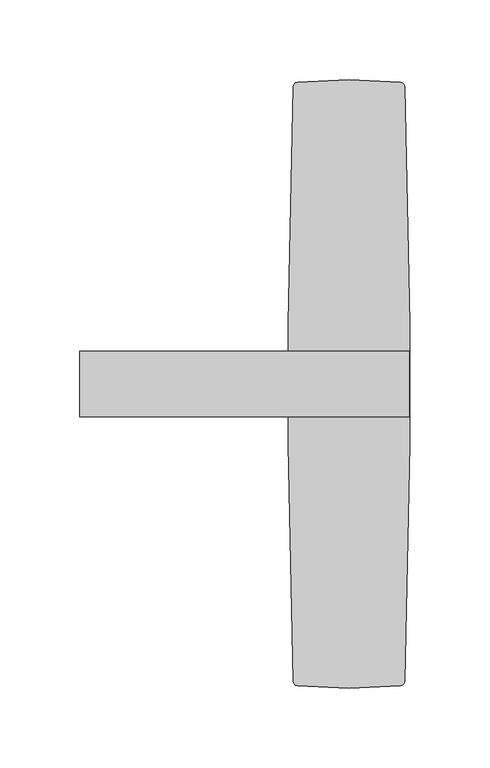
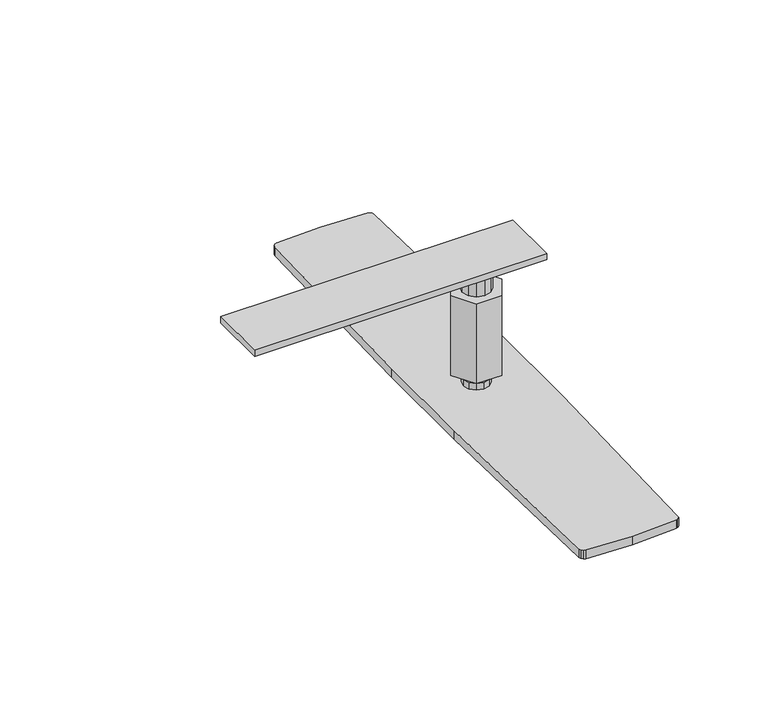
"""IFC4 building model written with IfcOpenShell, lengths in millimetres: furniture geometry."""

import ifcopenshell
import ifcopenshell.guid

model = None  # the IFC model being written
_history = None  # IfcOwnerHistory: only IFC2X3 demands one
_inside = {}  # id of a spatial element -> (the spatial element, [elements in it])
_under = {}  # id of a project, library or spatial element -> (it, [spatial elements below it])
_declared = {}  # id of a project -> (the project, [libraries it declares])
_typed = {}  # id of a type object -> (the type object, [elements of that type])
_made_of = {}  # id of a material, layer set ... -> (it, [elements and type objects made of it])


def new_model(schema):
    """Start an empty IFC model of exactly this schema.

    Asked for "IFC4X3", IfcOpenShell would pick the latest addendum, in which some entities
    have other attributes; the version numbers below select the first issue.
    IFC2X3 requires an IfcOwnerHistory on every rooted entity: one is made here for all.
    """
    global model, _history
    if schema == "IFC4X3":
        model = ifcopenshell.file(schema_version=(4, 3, 0, 0))
    else:
        model = ifcopenshell.file(schema=schema)
    _inside.clear()
    _under.clear()
    _declared.clear()
    _typed.clear()
    _made_of.clear()
    _history = None
    if model.schema == "IFC2X3":
        org = make("IfcOrganization", Name="unknown")
        user = make(
            "IfcPersonAndOrganization",
            ThePerson=make("IfcPerson", FamilyName="unknown"),
            TheOrganization=org,
        )
        app = make(
            "IfcApplication",
            ApplicationDeveloper=org,
            Version="unknown",
            ApplicationFullName="unknown",
            ApplicationIdentifier="unknown",
        )
        _history = make(
            "IfcOwnerHistory",
            OwningUser=user,
            OwningApplication=app,
            ChangeAction="ADDED",
            CreationDate=0,
        )
    return model


def make(cls, **values):
    """One entity of the class cls with the attributes given. An attribute that is None is left unset."""
    return model.create_entity(
        cls, **{name: value for name, value in values.items() if value is not None}
    )


def rooted(cls, **values):
    """An entity with a GlobalId (a new one), such as an element, a storey or a relation."""
    return make(cls, GlobalId=ifcopenshell.guid.new(), OwnerHistory=_history, **values)


def si_unit(unit_type, name, prefix=None):
    """IfcSIUnit, for example si_unit("LENGTHUNIT", "METRE", prefix="MILLI")."""
    return make("IfcSIUnit", UnitType=unit_type, Prefix=prefix, Name=name)


def assignment(units):
    """IfcUnitAssignment: the units of a project."""
    return None if units is None else make("IfcUnitAssignment", Units=units)


def point(xyz):
    """IfcCartesianPoint."""
    return None if xyz is None else make("IfcCartesianPoint", Coordinates=xyz)


def direction(xyz):
    """IfcDirection."""
    return None if xyz is None else make("IfcDirection", DirectionRatios=xyz)


def frame(location, z_axis=None, x_axis=None):
    """IfcAxis2Placement3D, a coordinate frame: its origin and axes. An axis left out is left unset."""
    return make(
        "IfcAxis2Placement3D",
        Location=point(location),
        Axis=direction(z_axis),
        RefDirection=direction(x_axis),
    )


def origin():
    """The frame at (0, 0, 0) with its axes left unset."""
    return frame((0.0, 0.0, 0.0))


def origin_with_axes():
    """The frame at (0, 0, 0) with the z axis (0, 0, 1) and the x axis (1, 0, 0) written out."""
    return frame((0.0, 0.0, 0.0), z_axis=(0.0, 0.0, 1.0), x_axis=(1.0, 0.0, 0.0))


def place(relative_to, where):
    """IfcLocalPlacement: puts the frame where relative to a parent placement (None: the world)."""
    return make(
        "IfcLocalPlacement", PlacementRelTo=relative_to, RelativePlacement=where
    )


def context(
    kind, dimensions, precision=None, world=None, true_north=None, identifier=None
):
    """IfcGeometricRepresentationContext, for example the 3D "Model" context."""
    return make(
        "IfcGeometricRepresentationContext",
        ContextIdentifier=identifier,
        ContextType=kind,
        CoordinateSpaceDimension=dimensions,
        Precision=precision,
        WorldCoordinateSystem=world,
        TrueNorth=true_north,
    )


def project(units=None, contexts=None):
    """IfcProject with its units and contexts."""
    return rooted(
        "IfcProject",
        Name="project",
        RepresentationContexts=contexts,
        UnitsInContext=assignment(units),
    )


def spatial(cls, under=None, at=None, **own):
    """A site, building, storey or space (cls), placed at a placement, below another one or the project."""
    s = rooted(cls, ObjectPlacement=at, **own)
    if under is not None:
        _under.setdefault(under.id(), (under, []))[1].append(s)
    return s


def polyline(points):
    """IfcPolyline through the points."""
    return make("IfcPolyline", Points=[point(p) for p in points])


def outline(outer, holes=None, kind="AREA"):
    """IfcArbitraryClosedProfileDef: a profile drawn as a closed curve; with holes, ...WithVoids."""
    if holes is None:
        return make("IfcArbitraryClosedProfileDef", ProfileType=kind, OuterCurve=outer)
    return make(
        "IfcArbitraryProfileDefWithVoids",
        ProfileType=kind,
        OuterCurve=outer,
        InnerCurves=holes,
    )


def extrude(swept, where, along, depth):
    """IfcExtrudedAreaSolid: the profile swept, set in the frame where, extruded along a direction by depth."""
    return make(
        "IfcExtrudedAreaSolid",
        SweptArea=swept,
        Position=where,
        ExtrudedDirection=direction(along),
        Depth=depth,
    )


def shape(context_of_items, identifier, shape_type, items):
    """IfcShapeRepresentation: the items that make up one representation, for example the "Body"."""
    return make(
        "IfcShapeRepresentation",
        ContextOfItems=context_of_items,
        RepresentationIdentifier=identifier,
        RepresentationType=shape_type,
        Items=items,
    )


def source(mapping_origin, context_of_items, identifier, shape_type, items):
    """IfcRepresentationMap: a shape defined once, which mapped items show again and again."""
    return make(
        "IfcRepresentationMap",
        MappingOrigin=mapping_origin,
        MappedRepresentation=shape(context_of_items, identifier, shape_type, items),
    )


def transform(
    local_origin,
    x_axis=None,
    y_axis=None,
    z_axis=None,
    scale=None,
    scale2=None,
    scale3=None,
    uniform=True,
):
    """IfcCartesianTransformationOperator3D, or its non-uniform kind. x_axis, y_axis, z_axis: its Axis1, 2, 3."""
    if uniform:
        return make(
            "IfcCartesianTransformationOperator3D",
            Axis1=direction(x_axis),
            Axis2=direction(y_axis),
            LocalOrigin=point(local_origin),
            Scale=scale,
            Axis3=direction(z_axis),
        )
    return make(
        "IfcCartesianTransformationOperator3DnonUniform",
        Axis1=direction(x_axis),
        Axis2=direction(y_axis),
        LocalOrigin=point(local_origin),
        Scale=scale,
        Axis3=direction(z_axis),
        Scale2=scale2,
        Scale3=scale3,
    )


def mapped(mapping_source, mapping_target):
    """IfcMappedItem: shows the shape of a source again, moved by a transform."""
    return make(
        "IfcMappedItem", MappingSource=mapping_source, MappingTarget=mapping_target
    )


def made_of(thing, what):
    """Note that an element or type object is made of a material, layer set ...; save() writes the relation."""
    if what is not None:
        _made_of.setdefault(what.id(), (what, []))[1].append(thing)
    return thing


def element(
    cls,
    number,
    at=None,
    inside=None,
    cuts=None,
    type_object=None,
    material=None,
    context=None,
    identifier="Body",
    shape_type=None,
    held_by="IfcProductDefinitionShape",
    body=None,
    shapes=None,
    **own,
):
    """One element of the class cls, such as IfcWall. Its Tag is "e" and its number.

    at: its placement. inside: the storey or other place that contains it. cuts: it is an
    opening in that element (IfcRelVoidsElement). A single representation is given by context,
    identifier, shape_type and body (its items); several are given by shapes. held_by: the class
    of the entity that holds the representations. save() writes the other relations.
    """
    e = rooted(cls, Tag="e%d" % number, ObjectPlacement=at, **own)
    if body is not None:
        shapes = [shape(context, identifier, shape_type, body)]
    if shapes is not None:
        e.Representation = make(held_by, Representations=shapes)
    if inside is not None:
        _inside.setdefault(inside.id(), (inside, []))[1].append(e)
    if cuts is not None:
        rooted(
            "IfcRelVoidsElement", RelatingBuildingElement=cuts, RelatedOpeningElement=e
        )
    if type_object is not None:
        _typed.setdefault(type_object.id(), (type_object, []))[1].append(e)
    return made_of(e, material)


def aggregate(whole, parts):
    """IfcRelAggregates: a whole, such as a stair, and the parts it consists of."""
    return rooted("IfcRelAggregates", RelatingObject=whole, RelatedObjects=parts)


def save(model, path):
    """Write the relations noted so far, then the file.

    IfcRelAggregates (storeys below a building ...), IfcRelContainedInSpatialStructure (elements
    in a storey), IfcRelDefinesByType, IfcRelAssociatesMaterial and IfcRelDeclares: one each for
    every whole, place, type object, material and project.
    """
    for whole, parts in _under.values():
        aggregate(whole, parts)
    for where, things in _inside.values():
        rooted(
            "IfcRelContainedInSpatialStructure",
            RelatedElements=things,
            RelatingStructure=where,
        )
    for kind, things in _typed.values():
        rooted("IfcRelDefinesByType", RelatedObjects=things, RelatingType=kind)
    for what, things in _made_of.values():
        rooted("IfcRelAssociatesMaterial", RelatedObjects=things, RelatingMaterial=what)
    for by, libraries in _declared.values():
        rooted("IfcRelDeclares", RelatingContext=by, RelatedDefinitions=libraries)
    model.write(path)


def furniture_6a4ed0ce(model_context):
    return source(origin(), model_context, "Body", "SweptSolid", [
        extrude(outline(polyline([(190.4999977, -34.4055949), (192.8551955, -35.0366701), (194.5793272, -36.7607972), (195.2103934, -39.1159996), (194.5793272, -41.4712065), (192.8551955, -43.1953336), (190.4999977, -43.8264088), (188.1447999, -43.1953336), (186.4206682, -41.4712065), (185.7895839, -39.1159996), (186.4206682, -36.7607972), (188.1447999, -35.0366701), (190.4999977, -34.4055949)])), frame((0.0, 0.0, 11.2494121), z_axis=(0.0, 0.0, 1.0), x_axis=(1.0, 0.0, 0.0)), (0.0, 0.0, 1.0), 40.2605479),
        extrude(outline(polyline([(185.4200026, -30.3171839), (190.4999977, -28.9560025), (195.5799929, -30.3171839), (199.2988066, -34.0360022), (200.659988, -39.1160041), (199.2988066, -44.1960038), (195.5799929, -47.9148221), (190.4999977, -49.2760035), (185.4200026, -47.9148221), (181.7011707, -44.1960038), (180.3399893, -39.1160041), (181.7011707, -34.0360022), (185.4200026, -30.3171839)])), frame((0.0, 0.0, 76.7079995), z_axis=(0.0, 0.0, 1.0), x_axis=(1.0, 0.0, 0.0)), (0.0, 0.0, 1.0), 19.8882028),
        extrude(outline(polyline([(190.4999977, -30.0114318), (195.0522816, -31.2312133), (198.3847817, -34.5637157), (199.6045655, -39.1159996), (198.3847817, -43.6682835), (195.0522816, -47.0007881), (190.4999977, -48.2205674), (185.9477138, -47.0007881), (182.6152137, -43.6682835), (181.3954299, -39.1159996), (182.6152137, -34.5637157), (185.9477138, -31.2312133), (190.4999977, -30.0114318)])), frame((0.0, 0.0, 6.3502046), z_axis=(0.0, 0.0, 1.0), x_axis=(1.0, 0.0, 0.0)), (0.0, 0.0, 1.0), 4.8992076),
        extrude(outline(polyline([(181.5107572, -23.546181), (199.4892383, -23.546181), (208.4784788, -39.1160041), (199.4892383, -54.685825), (181.5107572, -54.685825), (172.5215166, -39.1160041), (181.5107572, -23.546181)])), frame((0.0, 0.0, 17.3990004), z_axis=(0.0, 0.0, 1.0), x_axis=(1.0, 0.0, 0.0)), (0.0, 0.0, 1.0), 59.3089991),
        extrude(outline(polyline([(22.1614993, -18.4785005), (228.1554959, -18.4785005), (228.1554959, -59.7535021), (22.1614993, -59.7535021), (22.1614993, -18.4785005)])), frame((0.0, 0.0, 96.5962023), z_axis=(0.0, 0.0, 1.0), x_axis=(1.0, 0.0, 0.0)), (0.0, 0.0, 1.0), 4.7498009),
        extrude(outline(polyline([(190.4999977, 151.1300012), (222.4575024, 149.6773828), (223.9643378, 149.2176361), (225.0646837, 148.0901795), (225.4876275, 146.5726032), (228.6, -1.0161077), (228.6, -77.2158913), (225.4876275, -224.8045921), (225.0646837, -226.3221776), (223.9643378, -227.4496342), (222.4575024, -227.9093808), (190.4999977, -229.3619993), (158.5424939, -227.9093808), (157.0356591, -227.4496342), (155.9353129, -226.3221776), (155.5123691, -224.8045921), (152.4, -77.215999), (152.4, -1.016), (155.5123691, 146.5726032), (155.9353129, 148.0901795), (157.0356591, 149.2176361), (158.5424939, 149.6773828), (190.4999977, 151.1300012)])), origin_with_axes(), (0.0, 0.0, 1.0), 6.3500002),
        extrude(outline(polyline([(228.6, -1.016), (228.6, -77.216), (152.4, -77.216), (152.4, -1.016), (228.6, -1.016)])), origin_with_axes(), (0.0, 0.0, 1.0), 6.3500002),
    ])


if __name__ == "__main__":
    model = new_model("IFC4")
    model_context = context("Model", 3, world=origin())
    ifc_project = project(units=[si_unit("LENGTHUNIT", "METRE", prefix="MILLI")], contexts=[model_context])
    site = spatial("IfcSite", under=ifc_project)
    building = spatial("IfcBuilding", under=site)
    placement = place(None, origin())
    furniture_shape = furniture_6a4ed0ce(model_context)
    element("IfcFurniture", 1, at=placement, inside=building, context=model_context, shape_type="MappedRepresentation", body=[
        mapped(furniture_shape, transform((0.0, 0.0, 0.0), x_axis=(1.0, 0.0, 0.0), y_axis=(0.0, 1.0, 0.0), z_axis=(0.0, 0.0, 1.0))),
    ])
    save(model, "model.ifc")
